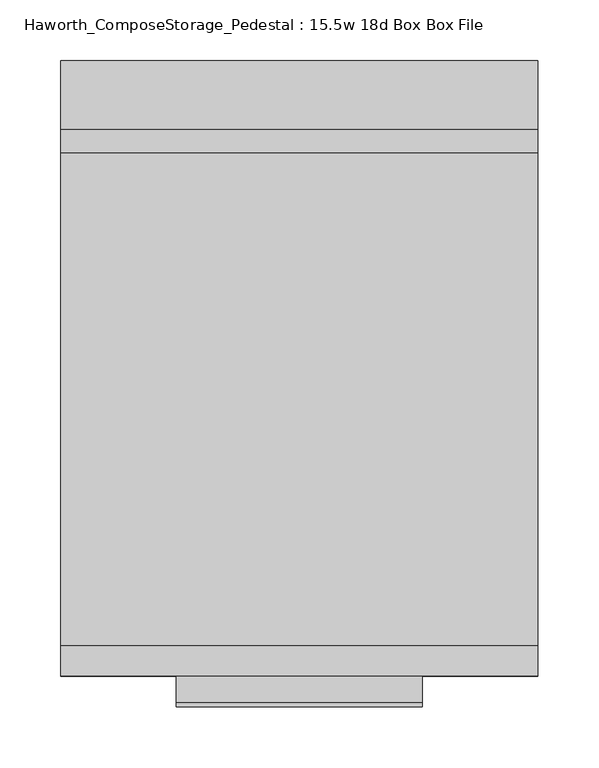
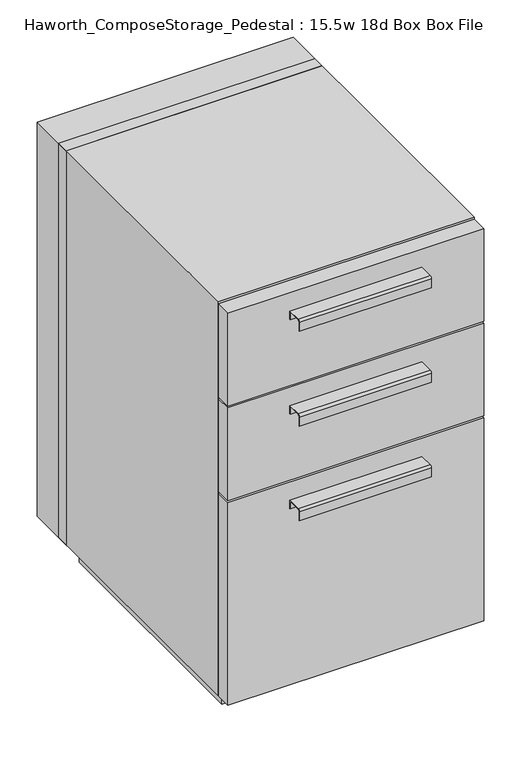
"""IFC4 building model written with IfcOpenShell, lengths in millimetres: furniture geometry, Haworth_ComposeStorage_Pedestal : 15.5w 18d Box Box File."""

from ifc_helpers import new_model, si_unit, point, frame, frame_2d, origin, origin_with_axes, place, context, project, spatial, polyline, circle_curve, trimmed, segment, composite_curve, outline, extrude, source, transform, mapped, element, save


def haworth_composestorage_pedestal_15_5w_18d_box_box_file_4c4b7e79(model_context):
    return source(origin(), model_context, "Body", "SweptSolid", [
        extrude(outline(composite_curve([segment(polyline([(-200.0250242, 633.9919215), (-177.8, 633.9919215), (-177.8, 620.5299525), (-178.5937742, 620.5299525), (-178.5937742, 633.1982199), (-200.0250242, 633.1982199)]), True, "CONTINUOUS"), segment(trimmed(circle_curve(frame_2d((-200.0250242, 630.8142808)), 2.3839392), [point((-200.0250242, 633.1982199))], [point((-202.4089634, 630.8142808))], True, "CARTESIAN"), True, "CONTINUOUS"), segment(polyline([(-202.4089634, 630.8142808), (-202.4089634, 616.2119021), (-203.1999758, 616.2119021), (-203.1999758, 630.8169699)]), True, "CONTINUOUS"), segment(trimmed(circle_curve(frame_2d((-200.0250242, 630.8169699)), 3.1749516), [point((-203.1999758, 630.8169699))], [point((-200.0250242, 633.9919215))], False, "CARTESIAN"), True, "CONTINUOUS")], self_intersect=False)), frame((-101.5861094, 0.0, 0.0), z_axis=(1.0, 0.0, 0.0), x_axis=(0.0, 1.0, 0.0)), (0.0, 0.0, 1.0), 203.2),
        extrude(outline(polyline([(196.8638906, -152.4), (196.8638906, -177.8), (-196.8361094, -177.8), (-196.8361094, -152.4), (196.8638906, -152.4)])), frame((0.0, 0.0, 512.7625), z_axis=(0.0, 0.0, 1.0), x_axis=(1.0, 0.0, 0.0)), (0.0, 0.0, 1.0), 150.8125),
        extrude(outline(composite_curve([segment(polyline([(-200.0250242, 480.0044215), (-177.8, 480.0044215), (-177.8, 466.5424525), (-178.5937742, 466.5424525), (-178.5937742, 479.2107199), (-200.0250242, 479.2107199)]), True, "CONTINUOUS"), segment(trimmed(circle_curve(frame_2d((-200.0250242, 476.8267808)), 2.3839392), [point((-200.0250242, 479.2107199))], [point((-202.4089634, 476.8267808))], True, "CARTESIAN"), True, "CONTINUOUS"), segment(polyline([(-202.4089634, 476.8267808), (-202.4089634, 462.2244021), (-203.1999758, 462.2244021), (-203.1999758, 476.8294699)]), True, "CONTINUOUS"), segment(trimmed(circle_curve(frame_2d((-200.0250242, 476.8294699)), 3.1749516), [point((-203.1999758, 476.8294699))], [point((-200.0250242, 480.0044215))], False, "CARTESIAN"), True, "CONTINUOUS")], self_intersect=False)), frame((-101.5861094, 0.0, 0.0), z_axis=(1.0, 0.0, 0.0), x_axis=(0.0, 1.0, 0.0)), (0.0, 0.0, 1.0), 203.2),
        extrude(outline(polyline([(196.8638906, -152.4), (196.8638906, -177.8), (-196.8361094, -177.8), (-196.8361094, -152.4), (196.8638906, -152.4)])), frame((0.0, 0.0, 358.775), z_axis=(0.0, 0.0, 1.0), x_axis=(1.0, 0.0, 0.0)), (0.0, 0.0, 1.0), 150.8125),
        extrude(outline(composite_curve([segment(polyline([(-200.0250242, 326.0169215), (-177.8, 326.0169215), (-177.8, 312.5549525), (-178.5937742, 312.5549525), (-178.5937742, 325.2232199), (-200.0250242, 325.2232199)]), True, "CONTINUOUS"), segment(trimmed(circle_curve(frame_2d((-200.0250242, 322.8392808)), 2.3839392), [point((-200.0250242, 325.2232199))], [point((-202.4089634, 322.8392808))], True, "CARTESIAN"), True, "CONTINUOUS"), segment(polyline([(-202.4089634, 322.8392808), (-202.4089634, 308.2369021), (-203.1999758, 308.2369021), (-203.1999758, 322.8419699)]), True, "CONTINUOUS"), segment(trimmed(circle_curve(frame_2d((-200.0250242, 322.8419699)), 3.1749516), [point((-203.1999758, 322.8419699))], [point((-200.0250242, 326.0169215))], False, "CARTESIAN"), True, "CONTINUOUS")], self_intersect=False)), frame((-101.5861094, 0.0, 0.0), z_axis=(1.0, 0.0, 0.0), x_axis=(0.0, 1.0, 0.0)), (0.0, 0.0, 1.0), 203.2),
        extrude(outline(polyline([(196.8638906, -152.4), (196.8638906, -177.8), (-196.8361094, -177.8), (-196.8361094, -152.4), (196.8638906, -152.4)])), frame((0.0, 0.0, 25.4), z_axis=(0.0, 0.0, 1.0), x_axis=(1.0, 0.0, 0.0)), (0.0, 0.0, 1.0), 330.2),
        extrude(outline(polyline([(196.8638906, 254.0), (-196.8361094, 254.0), (-196.8361094, 273.05), (196.8638906, 273.05), (196.8638906, 254.0)])), frame((0.0, 0.0, 25.4), z_axis=(0.0, 0.0, 1.0), x_axis=(1.0, 0.0, 0.0)), (0.0, 0.0, 1.0), 641.35),
        extrude(outline(polyline([(25.4, -196.8361094), (25.4, 196.8638906), (666.75, 196.8638906), (666.75, -196.8361094), (25.4, -196.8361094)]), holes=[polyline([(44.45, -177.7861094), (647.7, -177.7861094), (647.7, 177.8069453), (44.45, 177.8069453), (44.45, -177.7861094)])]), frame((0.0, -152.4, 0.0), z_axis=(0.0, 1.0, 0.0), x_axis=(0.0, 0.0, 1.0)), (0.0, 0.0, 1.0), 482.6),
        extrude(outline(polyline([(-177.7791641, 219.075), (-177.7791641, 228.6), (177.8069453, 228.6), (177.8069453, 219.075), (-177.7791641, 219.075)])), frame((0.0, 0.0, 44.45), z_axis=(0.0, 0.0, 1.0), x_axis=(1.0, 0.0, 0.0)), (0.0, 0.0, 1.0), 603.25),
        extrude(outline(polyline([(184.1638906, -139.7), (-184.1361094, -139.7), (-184.1361094, 241.3), (184.1638906, 241.3), (184.1638906, -139.7)])), origin_with_axes(), (0.0, 0.0, 1.0), 25.4),
    ])


if __name__ == "__main__":
    model = new_model("IFC4")
    model_context = context("Model", 3, world=origin())
    ifc_project = project(units=[si_unit("LENGTHUNIT", "METRE", prefix="MILLI")], contexts=[model_context])
    site = spatial("IfcSite", under=ifc_project)
    building = spatial("IfcBuilding", under=site)
    placement = place(None, origin())
    haworth_composestorage_pedestal_15_5w_18d_box_box_file_shape = haworth_composestorage_pedestal_15_5w_18d_box_box_file_4c4b7e79(model_context)
    element("IfcFurniture", 1, ObjectType="Haworth_ComposeStorage_Pedestal : 15.5w 18d Box Box File", at=placement, inside=building, context=model_context, shape_type="MappedRepresentation", body=[
        mapped(haworth_composestorage_pedestal_15_5w_18d_box_box_file_shape, transform((0.0, 0.0, 0.0), x_axis=(1.0, 0.0, 0.0), y_axis=(0.0, 1.0, 0.0), z_axis=(0.0, 0.0, 1.0))),
    ])
    save(model, "model.ifc")
